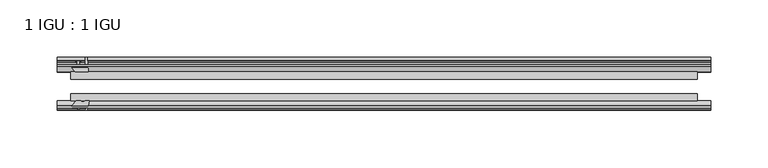
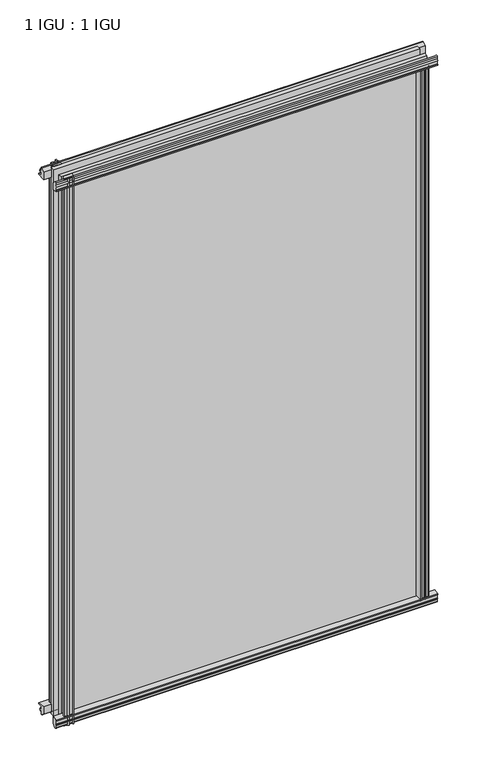
"""IFC4 building model written with IfcOpenShell, lengths in millimetres: plate geometry, 1 IGU : 1 IGU."""

from ifc_helpers import new_model, si_unit, point, frame, frame_2d, origin, origin_with_axes, place, context, project, spatial, polyline, circle_curve, trimmed, segment, composite_curve, outline, extrude, source, transform, mapped, element, save


def plate_1_igu_1_igu_8af54c31(model_context):
    return source(origin(), model_context, "Body", "SweptSolid", [
        extrude(outline(polyline([(-24.9039062, 2.5763839), (-12.2039062, 1.5739665), (-12.2039062, 0.0), (-18.5539062, 0.0), (-18.5539062, -4.953), (-16.254502, -5.5691235), (-16.6301757, -4.1670901), (-15.7714677, -3.937), (-15.1249062, -6.35), (-15.7714677, -8.763), (-16.6301757, -8.5329099), (-16.254502, -7.1308765), (-18.5539062, -7.747), (-18.5539062, -12.7), (-20.5859062, -12.7), (-24.9039062, -9.1036931), (-24.9039062, 2.5763839)])), frame((-284.2256877, 0.0, 0.0), z_axis=(1.0, 0.0, 0.0), x_axis=(0.0, 1.0, 0.0)), (0.0, 0.0, 1.0), 570.1380942),
        extrude(outline(composite_curve([segment(polyline([(-58.2287402, 1.5687054), (-50.3039062, 3.0983599), (-50.3039062, -7.92383), (-54.4858806, -12.1058044)]), True, "CONTINUOUS"), segment(trimmed(circle_curve(frame_2d((-55.3839062, -11.2077788)), 1.27), [point((-54.4858806, -12.1058044))], [point((-56.6539062, -11.2077788))], False, "CARTESIAN"), True, "CONTINUOUS"), segment(polyline([(-56.6539062, -11.2077788), (-56.6539062, -8.0327788), (-58.1332022, -5.4488186), (-56.6539062, -5.1879788), (-56.6539062, 0.2222212), (-58.2287402, 0.0), (-58.2287402, 1.5687054)]), True, "CONTINUOUS")], self_intersect=False)), frame((-284.2256877, 0.0, 0.0), z_axis=(1.0, 0.0, 0.0), x_axis=(0.0, 1.0, 0.0)), (0.0, 0.0, 1.0), 570.1380942),
        extrude(outline(polyline([(-18.5539063, 845.956525), (-16.254502, 845.3404015), (-16.6301757, 846.7424349), (-15.7714677, 846.972525), (-15.1249063, 844.559525), (-15.7714677, 842.146525), (-16.6301757, 842.3766151), (-16.254502, 843.7786485), (-18.5539063, 843.162525), (-18.5539063, 838.209525), (-12.2039062, 838.209525), (-12.2039062, 836.6355585), (-24.9039063, 835.6331411), (-24.9039063, 847.3132181), (-20.5859063, 850.909525), (-18.5539063, 850.909525), (-18.5539063, 845.956525)])), frame((-284.2256877, 0.0, 0.0), z_axis=(1.0, 0.0, 0.0), x_axis=(0.0, 1.0, 0.0)), (0.0, 0.0, 1.0), 570.1380942),
        extrude(outline(composite_curve([segment(polyline([(-50.3039063, 846.133355), (-50.3039063, 835.1111651), (-58.2287402, 836.6408196), (-58.2287402, 838.209525), (-56.6539063, 837.9873038), (-56.6539063, 843.3975038), (-58.1332023, 843.6583436), (-56.6539063, 846.2423038), (-56.6539063, 849.4173038)]), True, "CONTINUOUS"), segment(trimmed(circle_curve(frame_2d((-55.3839063, 849.4173038)), 1.27), [point((-56.6539063, 849.4173038))], [point((-54.4858806, 850.3153294))], False, "CARTESIAN"), True, "CONTINUOUS"), segment(polyline([(-54.4858806, 850.3153294), (-50.3039063, 846.133355)]), True, "CONTINUOUS")], self_intersect=False)), frame((-284.2256877, 0.0, 0.0), z_axis=(1.0, 0.0, 0.0), x_axis=(0.0, 1.0, 0.0)), (0.0, 0.0, 1.0), 570.1380942),
        extrude(outline(composite_curve([segment(polyline([(259.6195625, -57.3876965), (258.2522465, -50.3039063), (269.2744365, -50.3039063), (273.4564109, -54.4858806)]), True, "CONTINUOUS"), segment(trimmed(circle_curve(frame_2d((272.5583853, -55.3839062)), 1.27), [point((273.4564109, -54.4858806))], [point((272.5583853, -56.6539062))], False, "CARTESIAN"), True, "CONTINUOUS"), segment(polyline([(272.5583853, -56.6539062), (269.3833853, -56.6539063), (266.7994251, -58.1332023), (266.5385853, -56.6539063), (261.1283853, -56.6539063), (261.3506065, -58.2287402), (260.3862857, -58.2014026)]), True, "CONTINUOUS"), segment(trimmed(circle_curve(frame_2d((260.6203853, -57.2127402)), 1.016), [point((260.3862857, -58.2014026))], [point((259.6195625, -57.3876965))], False, "CARTESIAN"), True, "CONTINUOUS")], self_intersect=False)), origin_with_axes(), (0.0, 0.0, 1.0), 838.6064),
        extrude(outline(polyline([(266.3036065, -18.5539062), (266.91973, -16.254502), (265.5176966, -16.6301757), (265.2876065, -15.7714677), (267.7006065, -15.1249062), (270.1136065, -15.7714677), (269.8835163, -16.6301757), (268.481483, -16.254502), (269.0976065, -18.5539062), (274.0506065, -18.5539063), (274.0506065, -20.5859063), (270.4542996, -24.9039063), (258.7742225, -24.9039063), (259.7766399, -12.2039062), (261.3506065, -12.2039062), (261.3506065, -18.5539062), (266.3036065, -18.5539062)])), origin_with_axes(), (0.0, 0.0, 1.0), 838.6064),
        extrude(outline(composite_curve([segment(polyline([(-267.6966665, -56.6539062), (-270.8716665, -56.6539062)]), True, "CONTINUOUS"), segment(trimmed(circle_curve(frame_2d((-270.8716665, -55.3839062)), 1.27), [point((-270.8716665, -56.6539062))], [point((-271.7696921, -54.4858806))], False, "CARTESIAN"), True, "CONTINUOUS"), segment(polyline([(-271.7696921, -54.4858806), (-267.5877177, -50.3039062), (-263.9181723, -50.3039062)]), True, "CONTINUOUS"), segment(trimmed(circle_curve(frame_2d((-261.8546665, -46.3669062)), 4.445), [point((-263.9181723, -50.3039062))], [point((-259.7911608, -50.3039062))], True, "CARTESIAN"), True, "CONTINUOUS"), segment(polyline([(-259.7911608, -50.3039062), (-256.5655278, -50.3039062), (-258.0951823, -58.2287402), (-259.6638877, -58.2287402), (-259.4416665, -56.6539062), (-264.8518665, -56.6539062), (-265.1127063, -58.1332022), (-267.6966665, -56.6539062)]), True, "CONTINUOUS")], self_intersect=False)), frame((0.0, 0.0, -12.7), z_axis=(0.0, 0.0, 1.0), x_axis=(1.0, 0.0, 0.0)), (0.0, 0.0, 1.0), 863.609525),
        extrude(outline(polyline([(-257.0875038, -24.9039062), (-268.7675808, -24.9039062), (-272.3638877, -20.5859062), (-272.3638877, -18.5539062), (-267.4108877, -18.5539062), (-266.7947642, -16.254502), (-268.1967976, -16.6301757), (-268.4268877, -15.7714677), (-266.0138877, -15.1249062), (-263.6008877, -15.7714677), (-263.8309778, -16.6301757), (-265.2330112, -16.254502), (-264.6168877, -18.5539062), (-259.6638877, -18.5539062), (-259.6638877, -12.2039062), (-258.0899212, -12.2039062), (-257.0875038, -24.9039062)])), frame((0.0, 0.0, -12.7), z_axis=(0.0, 0.0, 1.0), x_axis=(1.0, 0.0, 0.0)), (0.0, 0.0, 1.0), 863.609525),
        extrude(outline(polyline([(274.0506065, -24.9039062), (274.0506065, -31.2031063), (-272.3638877, -31.2031063), (-272.3638877, -24.9039062), (274.0506065, -24.9039062)])), frame((0.0, 0.0, -12.7), z_axis=(0.0, 0.0, 1.0), x_axis=(1.0, 0.0, 0.0)), (0.0, 0.0, 1.0), 863.609525),
        extrude(outline(polyline([(-272.3638877, -44.0047063), (274.0506065, -44.0047063), (274.0506065, -50.3039062), (-272.3638877, -50.3039062), (-272.3638877, -44.0047063)])), frame((0.0, 0.0, -12.7), z_axis=(0.0, 0.0, 1.0), x_axis=(1.0, 0.0, 0.0)), (0.0, 0.0, 1.0), 863.609525),
    ])


if __name__ == "__main__":
    model = new_model("IFC4")
    model_context = context("Model", 3, world=origin())
    ifc_project = project(units=[si_unit("LENGTHUNIT", "METRE", prefix="MILLI")], contexts=[model_context])
    site = spatial("IfcSite", under=ifc_project)
    building = spatial("IfcBuilding", under=site)
    placement = place(None, origin())
    plate_1_igu_1_igu_shape = plate_1_igu_1_igu_8af54c31(model_context)
    element("IfcPlate", 1, ObjectType="1 IGU : 1 IGU", at=placement, inside=building, context=model_context, shape_type="MappedRepresentation", body=[
        mapped(plate_1_igu_1_igu_shape, transform((0.0, 0.0, 0.0), x_axis=(1.0, 0.0, 0.0), y_axis=(0.0, 1.0, 0.0), z_axis=(0.0, 0.0, 1.0))),
    ])
    save(model, "model.ifc")
